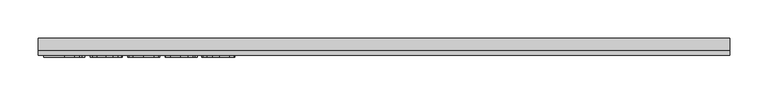
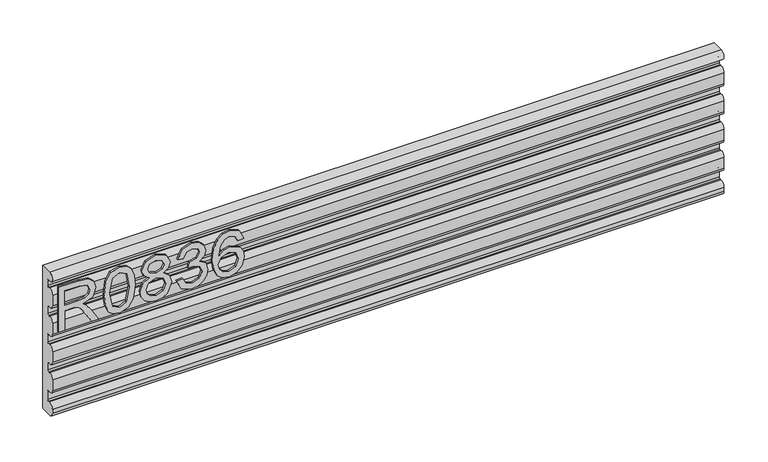
"""IFC4 building model written with IfcOpenShell, lengths in millimetres: furniture geometry."""

from ifc_helpers import new_model, si_unit, point, frame, frame_2d, origin, place, context, project, spatial, polyline, circle_curve, trimmed, segment, composite_curve, outline, extrude, source, transform, mapped, element, save


def furniture_01886c01(model_context):
    return source(origin(), model_context, "Body", "SweptSolid", [
        extrude(outline(polyline([(882.65, -443.8729953), (882.65, -435.8992757), (910.5580187, -435.8992757), (910.5580187, -426.274747), (910.2776926, -421.6493666), (908.7592596, -417.8571777), (904.62445, -413.6444997), (895.8720468, -407.6486363), (882.65, -399.3478696), (882.65, -390.0815353), (899.936775, -400.7183526), (908.1440996, -407.1814262), (911.5547336, -411.7133645), (917.4883023, -398.3589415), (928.9816716, -394.0372477), (938.6295609, -396.6458376), (944.7188663, -403.6228423), (946.4397569, -416.3854658), (946.4397569, -443.8729953), (882.65, -443.8729953)]), holes=[polyline([(918.5317383, -435.8992757), (938.4660373, -435.8992757), (938.4660373, -416.042845), (935.7094975, -405.3826671), (928.6857719, -402.0109673), (923.2739211, -403.778579), (919.6608294, -408.9490378), (918.5317383, -418.0518486), (918.5317383, -435.8992757)])]), frame((0.0, -24.60625, 0.0), z_axis=(0.0, 1.0, 0.0), x_axis=(0.0, 0.0, 1.0)), (0.0, 0.0, 1.0), 2.38125),
        extrude(outline(polyline([(914.0309473, -383.0733832), (898.5156775, -381.4848688), (887.7270168, -376.7193254), (883.171718, -370.4275623), (881.653285, -362.1423692), (885.1495742, -350.4699027), (895.7552443, -343.5318322), (914.0309473, -341.2113553), (929.0206058, -342.6597067), (938.4582505, -346.3973877), (944.3840324, -352.8293139), (946.4397569, -362.1423692), (942.9668283, -373.7681147), (932.3845188, -380.7295457), (914.0309473, -383.0733832)]), holes=[polyline([(914.046521, -375.0996636), (934.1988514, -371.2373932), (938.4660373, -362.2358113), (933.6226256, -352.7981666), (914.046521, -349.1850749), (894.2601718, -352.9227559), (889.6270047, -362.1423692), (894.2445982, -371.3619826), (914.046521, -375.0996636)])]), frame((0.0, -24.60625, 0.0), z_axis=(0.0, 1.0, 0.0), x_axis=(0.0, 0.0, 1.0)), (0.0, 0.0, 1.0), 2.38125),
        extrude(outline(polyline([(917.7842021, -322.6163919), (911.9907964, -331.2130584), (901.4318474, -334.2343506), (893.6742125, -332.793786), (887.3143145, -328.4720923), (883.0685424, -321.7987742), (881.653285, -313.3033366), (883.0627023, -304.807899), (887.290954, -298.1345809), (901.213816, -292.3723226), (911.5313731, -295.2768123), (917.7842021, -303.7566762), (922.713269, -296.6940163), (930.2275653, -294.3657525), (941.7209346, -299.598506), (946.4397569, -313.4123523), (941.8299503, -327.1016092), (930.4455967, -332.2409207), (922.7366295, -329.8815095), (917.7842021, -322.6163919)]), holes=[polyline([(901.7121735, -326.260631), (910.1686769, -322.8889312), (913.5481635, -313.5057943), (910.1219559, -303.8501182), (901.4629947, -300.3460422), (892.9675571, -303.7411025), (889.6270047, -313.2410419), (891.2155191, -320.2180466), (895.7085232, -324.9290821), (901.7121735, -326.260631)]), polyline([(930.2119916, -324.2672011), (936.0365446, -321.3938587), (938.4660373, -313.3033366), (935.9820368, -305.2361749), (929.8537972, -302.3394721), (923.9358022, -305.1427329), (921.5218831, -313.2098946), (923.9513758, -321.4405798), (930.2119916, -324.2672011)])]), frame((0.0, -24.60625, 0.0), z_axis=(0.0, 1.0, 0.0), x_axis=(0.0, 0.0, 1.0)), (0.0, 0.0, 1.0), 2.38125),
        extrude(outline(polyline([(899.5941542, -285.3953179), (886.6524335, -279.0568338), (881.653285, -265.0716771), (883.1172101, -256.5489856), (887.5089854, -249.638169), (894.0032063, -245.0595097), (901.7744681, -243.5332899), (912.1465331, -246.5857295), (917.597318, -255.275838), (922.8767925, -248.7348961), (930.2275653, -246.5234348), (938.2713664, -248.8516986), (944.2516562, -255.5795245), (946.4397569, -265.1962665), (942.0012607, -277.8732348), (929.4956028, -284.398603), (928.4988878, -276.4248834), (935.9742499, -272.5158919), (938.4660373, -264.9159404), (935.9976105, -257.4094309), (929.7603552, -254.4971544), (922.7210558, -258.5151616), (920.5251682, -268.8405055), (912.5514486, -269.7282048), (913.4235742, -264.1372568), (910.16089, -255.0733802), (901.9146312, -251.5070095), (893.162228, -255.1045276), (889.6270047, -264.791351), (892.1966604, -273.0220362), (900.5908691, -277.4215983), (899.5941542, -285.3953179)])), frame((0.0, -24.60625, 0.0), z_axis=(0.0, 1.0, 0.0), x_axis=(0.0, 0.0, 1.0)), (0.0, 0.0, 1.0), 2.38125),
        extrude(outline(polyline([(929.4956028, -195.6909722), (941.938966, -201.5778199), (946.4397569, -214.1769199), (944.6215308, -223.4315739), (939.1668525, -230.5759955), (928.3081103, -235.808749), (912.4268592, -237.5530002), (898.3015395, -235.9820061), (888.8171738, -231.2690239), (883.4442572, -224.0642543), (881.653285, -215.0178981), (884.355317, -204.5679648), (892.1421526, -197.3262077), (903.1449512, -194.6942573), (911.3172351, -196.0919943), (917.8309231, -200.2852052), (923.515313, -213.8342991), (921.4362279, -222.5477681), (915.0743833, -229.5792806), (929.2853582, -227.3133114), (936.5349021, -221.8703134), (938.4660373, -214.6752773), (935.1488454, -206.685984), (928.4988878, -203.6646918), (929.4956028, -195.6909722)]), holes=[polyline([(903.2695406, -229.5792806), (912.15432, -225.6157813), (915.5415934, -215.967892), (912.15432, -206.1954134), (902.8801988, -202.6679769), (893.1933754, -206.2421344), (889.6270047, -215.6408449), (891.3478953, -222.8280942), (896.3626174, -227.7338006), (903.2695406, -229.5792806)])]), frame((0.0, -24.60625, 0.0), z_axis=(0.0, 1.0, 0.0), x_axis=(0.0, 0.0, 1.0)), (0.0, 0.0, 1.0), 2.38125),
        extrude(outline(composite_curve([segment(polyline([(-15.8760163, 965.1962603), (0.0, 965.1987579), (0.0, 762.0024959), (-15.875, 762.0024959)]), True, "CONTINUOUS"), segment(trimmed(circle_curve(frame_2d((-15.875, 768.3499997)), 6.3475038), [point((-15.875, 762.0024959))], [point((-22.2225037, 768.3499997))], False, "CARTESIAN"), True, "CONTINUOUS"), segment(polyline([(-22.2225037, 768.3499997), (-22.2225037, 774.1565144)]), True, "CONTINUOUS"), segment(trimmed(circle_curve(frame_2d((-15.8749436, 774.1565144)), 6.3475601), [point((-22.2225037, 774.1565144))], [point((-15.0857075, 780.4548178))], False, "CARTESIAN"), True, "CONTINUOUS"), segment(trimmed(circle_curve(frame_2d((-1.1337042, 863.6935017)), 84.3998631), [point((-15.0857075, 780.4548178))], [point((-12.9059563, 780.1186791))], True, "CARTESIAN"), True, "CONTINUOUS"), segment(trimmed(circle_curve(frame_2d((-12.700446, 781.6924586)), 1.5871409), [point((-12.9059563, 780.1186791))], [point((-11.1133051, 781.6924586))], True, "CARTESIAN"), True, "CONTINUOUS"), segment(polyline([(-11.1133051, 781.6924586), (-11.1133051, 793.7069593)]), True, "CONTINUOUS"), segment(trimmed(circle_curve(frame_2d((-12.6993283, 793.7069593)), 1.5860232), [point((-11.1133051, 793.7069593))], [point((-12.9060069, 795.2794584))], True, "CARTESIAN"), True, "CONTINUOUS"), segment(trimmed(circle_curve(frame_2d((-1.1352938, 711.7058353)), 84.3984607), [point((-12.9060069, 795.2794584))], [point((-15.0903111, 794.942592))], True, "CARTESIAN"), True, "CONTINUOUS"), segment(trimmed(circle_curve(frame_2d((-15.8834296, 801.2469395)), 6.3540408), [point((-15.0903111, 794.942592))], [point((-22.225, 800.8490464))], False, "CARTESIAN"), True, "CONTINUOUS"), segment(polyline([(-22.225, 800.8490464), (-22.225, 816.2587238)]), True, "CONTINUOUS"), segment(trimmed(circle_curve(frame_2d((-15.8833926, 815.8608997)), 6.3540734), [point((-22.225, 816.2587238))], [point((-15.0903341, 822.1652876))], False, "CARTESIAN"), True, "CONTINUOUS"), segment(trimmed(circle_curve(frame_2d((-1.1353844, 905.4020955)), 84.3985), [point((-15.0903341, 822.1652876))], [point((-12.9062753, 821.8284577))], True, "CARTESIAN"), True, "CONTINUOUS"), segment(trimmed(circle_curve(frame_2d((-12.6998122, 823.4006216)), 1.5856628), [point((-12.9062753, 821.8284577))], [point((-11.1141494, 823.4006216))], True, "CARTESIAN"), True, "CONTINUOUS"), segment(polyline([(-11.1141494, 823.4006216), (-11.1141494, 833.7966127)]), True, "CONTINUOUS"), segment(trimmed(circle_curve(frame_2d((-12.6998093, 833.7966127)), 1.5856599), [point((-11.1141494, 833.7966127))], [point((-12.9062754, 835.3687733))], True, "CARTESIAN"), True, "CONTINUOUS"), segment(trimmed(circle_curve(frame_2d((-1.1353888, 751.7951397)), 84.3984953), [point((-12.9062754, 835.3687733))], [point((-15.0903465, 835.0319415))], True, "CARTESIAN"), True, "CONTINUOUS"), segment(trimmed(circle_curve(frame_2d((-15.8834158, 841.3363673)), 6.3541124), [point((-15.0903465, 835.0319415))], [point((-22.2250421, 840.9382203))], False, "CARTESIAN"), True, "CONTINUOUS"), segment(polyline([(-22.2250421, 840.9382203), (-22.2250421, 856.3483319)]), True, "CONTINUOUS"), segment(trimmed(circle_curve(frame_2d((-15.8834158, 855.9501848)), 6.3541124), [point((-22.2250421, 856.3483319))], [point((-15.0903468, 862.2546107))], False, "CARTESIAN"), True, "CONTINUOUS"), segment(trimmed(circle_curve(frame_2d((-1.1353891, 945.4914132)), 84.398496), [point((-15.0903468, 862.2546107))], [point((-12.9062764, 861.9177789))], True, "CARTESIAN"), True, "CONTINUOUS"), segment(trimmed(circle_curve(frame_2d((-12.6998106, 863.4899388)), 1.5856591), [point((-12.9062764, 861.9177789))], [point((-11.1141515, 863.4899388))], True, "CARTESIAN"), True, "CONTINUOUS"), segment(polyline([(-11.1141515, 863.4899388), (-11.1141515, 873.8860943)]), True, "CONTINUOUS"), segment(trimmed(circle_curve(frame_2d((-12.6998106, 873.8860943)), 1.5856591), [point((-11.1141515, 873.8860943))], [point((-12.9062762, 875.4582542))], True, "CARTESIAN"), True, "CONTINUOUS"), segment(trimmed(circle_curve(frame_2d((-1.135389, 791.8846199)), 84.398496), [point((-12.9062762, 875.4582542))], [point((-15.0903467, 875.1214224))], True, "CARTESIAN"), True, "CONTINUOUS"), segment(trimmed(circle_curve(frame_2d((-15.8834159, 881.4258482)), 6.3541123), [point((-15.0903467, 875.1214224))], [point((-22.225042, 881.0277013))], False, "CARTESIAN"), True, "CONTINUOUS"), segment(polyline([(-22.225042, 881.0277013), (-22.225042, 896.4379807)]), True, "CONTINUOUS"), segment(trimmed(circle_curve(frame_2d((-15.8834159, 896.0398338)), 6.3541123), [point((-22.225042, 896.4379807))], [point((-15.0903468, 902.3442596))], False, "CARTESIAN"), True, "CONTINUOUS"), segment(trimmed(circle_curve(frame_2d((-1.1353891, 985.5810621)), 84.3984961), [point((-15.0903468, 902.3442596))], [point((-12.9062764, 902.0074278))], True, "CARTESIAN"), True, "CONTINUOUS"), segment(trimmed(circle_curve(frame_2d((-12.6998107, 903.5795876)), 1.585659), [point((-12.9062764, 902.0074278))], [point((-11.1141517, 903.5795876))], True, "CARTESIAN"), True, "CONTINUOUS"), segment(polyline([(-11.1141517, 903.5795876), (-11.1141517, 913.9755748)]), True, "CONTINUOUS"), segment(trimmed(circle_curve(frame_2d((-12.6998103, 913.9755748)), 1.5856586), [point((-11.1141517, 913.9755748))], [point((-12.906276, 915.5477342))], True, "CARTESIAN"), True, "CONTINUOUS"), segment(trimmed(circle_curve(frame_2d((-1.1353891, 831.9741004)), 84.3984955), [point((-12.906276, 915.5477342))], [point((-15.0903471, 915.2109023))], True, "CARTESIAN"), True, "CONTINUOUS"), segment(trimmed(circle_curve(frame_2d((-15.8834165, 921.5153276)), 6.3541119), [point((-15.0903471, 915.2109023))], [point((-22.225042, 921.1171779))], False, "CARTESIAN"), True, "CONTINUOUS"), segment(polyline([(-22.225042, 921.1171779), (-22.225042, 936.5272397)]), True, "CONTINUOUS"), segment(trimmed(circle_curve(frame_2d((-15.8834716, 936.1290423)), 6.3540599), [point((-22.225042, 936.5272397))], [point((-15.090343, 942.4334077))], False, "CARTESIAN"), True, "CONTINUOUS"), segment(trimmed(circle_curve(frame_2d((-1.1352996, 1025.6702803)), 84.3985793), [point((-15.090343, 942.4334077))], [point((-12.9060294, 942.0965398))], True, "CARTESIAN"), True, "CONTINUOUS"), segment(trimmed(circle_curve(frame_2d((-12.6993505, 943.6690306)), 1.5860151), [point((-12.9060294, 942.0965398))], [point((-11.1133354, 943.6690306))], True, "CARTESIAN"), True, "CONTINUOUS"), segment(polyline([(-11.1133354, 943.6690306), (-11.1133354, 951.3150339)]), True, "CONTINUOUS"), segment(trimmed(circle_curve(frame_2d((-12.7004555, 951.3150339)), 1.5871201), [point((-11.1133354, 951.3150339))], [point((-12.9059726, 952.8887915))], True, "CARTESIAN"), True, "CONTINUOUS"), segment(trimmed(circle_curve(frame_2d((-1.1337141, 869.3138651)), 84.3999668), [point((-12.9059726, 952.8887915))], [point((-15.0857569, 952.5526475))], True, "CARTESIAN"), True, "CONTINUOUS"), segment(trimmed(circle_curve(frame_2d((-15.8750176, 958.8498197)), 6.3464407), [point((-15.0857569, 952.5526475))], [point((-15.8760163, 965.1962603))], False, "CARTESIAN"), True, "CONTINUOUS")], self_intersect=False)), frame((-450.85, 0.0, 0.0), z_axis=(1.0, 0.0, 0.0), x_axis=(0.0, 1.0, 0.0)), (0.0, 0.0, 1.0), 901.7),
    ])


if __name__ == "__main__":
    model = new_model("IFC4")
    model_context = context("Model", 3, world=origin())
    ifc_project = project(units=[si_unit("LENGTHUNIT", "METRE", prefix="MILLI")], contexts=[model_context])
    site = spatial("IfcSite", under=ifc_project)
    building = spatial("IfcBuilding", under=site)
    placement = place(None, origin())
    furniture_shape = furniture_01886c01(model_context)
    element("IfcFurniture", 1, at=placement, inside=building, context=model_context, shape_type="MappedRepresentation", body=[
        mapped(furniture_shape, transform((0.0, 0.0, 0.0), x_axis=(1.0, 0.0, 0.0), y_axis=(0.0, 1.0, 0.0), z_axis=(0.0, 0.0, 1.0))),
    ])
    save(model, "model.ifc")
